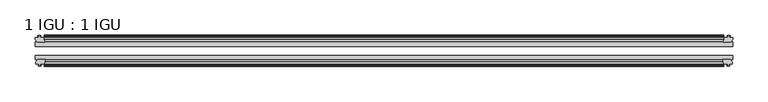
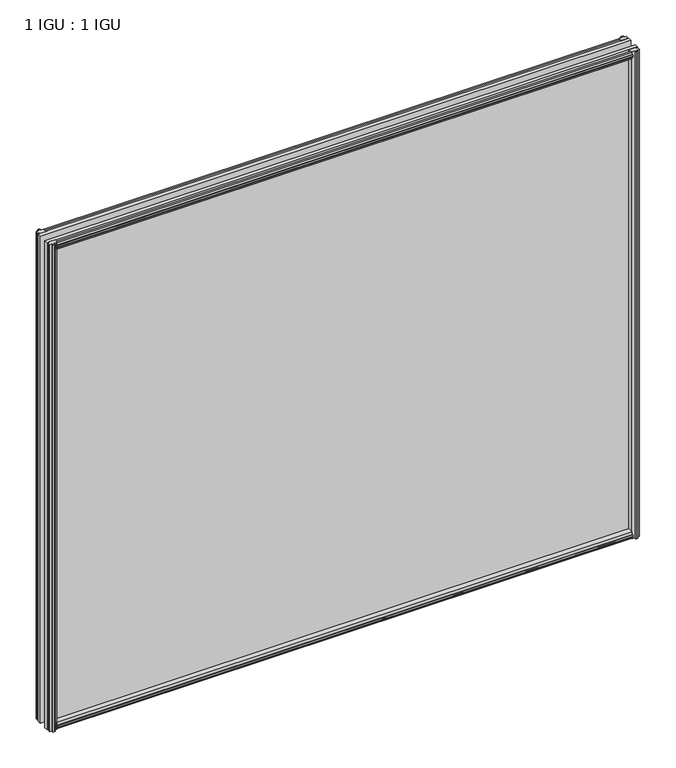
"""IFC4 building model written with IfcOpenShell, lengths in millimetres: plate geometry, 1 IGU : 1 IGU."""

from ifc_helpers import new_model, si_unit, frame, origin, place, context, project, spatial, polyline, outline, extrude, source, transform, mapped, element, save


def plate_1_igu_1_igu_98467104(model_context):
    return source(origin(), model_context, "Body", "SweptSolid", [
        extrude(outline(polyline([(-25.8960937, 1.1970181), (-19.5460937, -0.5207), (-19.5460937, -5.7277), (-17.1658968, -6.1087), (-17.62583, -4.6931709), (-16.8246158, -4.6931709), (-16.1170937, -6.8707), (-16.8246158, -9.0482291), (-17.62583, -9.0482291), (-17.1658968, -7.6327), (-19.5460937, -8.0137), (-19.5460937, -12.4587), (-22.4924937, -12.4587), (-25.8960937, -9.6243578), (-25.8960937, 1.1970181)])), frame((-482.5999997, 0.0, 0.0), z_axis=(1.0, 0.0, 0.0), x_axis=(0.0, 1.0, 0.0)), (0.0, 0.0, 1.0), 965.1999994),
        extrude(outline(polyline([(-51.2960937, 1.7177181), (-51.2960937, -9.1036578), (-54.6996937, -11.938), (-57.6460937, -11.938), (-57.6460937, -7.493), (-60.0262907, -7.112), (-59.5663575, -8.5275291), (-60.3675717, -8.5275291), (-61.0750937, -6.35), (-60.3675717, -4.1724709), (-59.5663575, -4.1724709), (-60.0262907, -5.588), (-57.6460937, -5.207), (-57.6460937, 0.0), (-51.2960937, 1.7177181)])), frame((-482.5999997, 0.0, 0.0), z_axis=(1.0, 0.0, 0.0), x_axis=(0.0, 1.0, 0.0)), (0.0, 0.0, 1.0), 965.1999994),
        extrude(outline(polyline([(-57.6460937, 850.138), (-54.6996937, 850.138), (-51.2960937, 847.3036578), (-51.2960937, 836.4822819), (-57.6460937, 838.2), (-57.6460937, 843.407), (-60.0262907, 843.788), (-59.5663575, 842.3724709), (-60.3675717, 842.3724709), (-61.0750937, 844.55), (-60.3675717, 846.727529), (-59.5663575, 846.727529), (-60.0262907, 845.312), (-57.6460937, 845.693), (-57.6460937, 850.138)])), frame((-482.5999997, 0.0, 0.0), z_axis=(1.0, 0.0, 0.0), x_axis=(0.0, 1.0, 0.0)), (0.0, 0.0, 1.0), 965.1999994),
        extrude(outline(polyline([(-19.5460937, 850.6587), (-19.5460937, 846.2137), (-17.1658968, 845.8327), (-17.62583, 847.248229), (-16.8246158, 847.248229), (-16.1170937, 845.0707), (-16.8246158, 842.8931709), (-17.62583, 842.8931709), (-17.1658968, 844.3087), (-19.5460937, 843.9277), (-19.5460937, 838.7207), (-25.8960937, 837.0029819), (-25.8960937, 847.8243578), (-22.4924937, 850.6587), (-19.5460937, 850.6587)])), frame((-482.5999997, 0.0, 0.0), z_axis=(1.0, 0.0, 0.0), x_axis=(0.0, 1.0, 0.0)), (0.0, 0.0, 1.0), 965.1999994),
        extrude(outline(polyline([(-489.4706997, -16.1170937), (-487.2931707, -16.8246158), (-487.2931707, -17.62583), (-488.7086997, -17.1658968), (-488.3276997, -19.5460937), (-483.1206997, -19.5460937), (-481.4029816, -25.8960937), (-492.2243575, -25.8960937), (-495.0586997, -22.4924937), (-495.0586997, -19.5460937), (-490.6136997, -19.5460937), (-490.2326997, -17.1658968), (-491.6482288, -17.62583), (-491.6482288, -16.8246158), (-489.4706997, -16.1170937)])), frame((0.0, 0.0, -12.7), z_axis=(0.0, 0.0, 1.0), x_axis=(1.0, 0.0, 0.0)), (0.0, 0.0, 1.0), 863.6),
        extrude(outline(polyline([(-488.9499997, -61.0750938), (-491.1275288, -60.3675717), (-491.1275288, -59.5663575), (-489.7119997, -60.0262907), (-490.0929997, -57.6460938), (-494.5379997, -57.6460938), (-494.5379997, -54.6996938), (-491.7036575, -51.2960937), (-480.8822816, -51.2960937), (-482.5999997, -57.6460938), (-487.8069997, -57.6460938), (-488.1879997, -60.0262907), (-486.7724707, -59.5663575), (-486.7724707, -60.3675717), (-488.9499997, -61.0750938)])), frame((0.0, 0.0, -12.7), z_axis=(0.0, 0.0, 1.0), x_axis=(1.0, 0.0, 0.0)), (0.0, 0.0, 1.0), 863.6),
        extrude(outline(polyline([(488.3276997, -19.5460937), (488.7086997, -17.1658968), (487.2931707, -17.62583), (487.2931707, -16.8246158), (489.4706997, -16.1170937), (491.6482288, -16.8246158), (491.6482288, -17.62583), (490.2326997, -17.1658968), (490.6136997, -19.5460937), (495.0586997, -19.5460937), (495.0586997, -22.4924937), (492.2243575, -25.8960937), (481.4029816, -25.8960937), (483.1206997, -19.5460937), (488.3276997, -19.5460937)])), frame((0.0, 0.0, -12.7), z_axis=(0.0, 0.0, 1.0), x_axis=(1.0, 0.0, 0.0)), (0.0, 0.0, 1.0), 863.6),
        extrude(outline(polyline([(491.7036575, -51.2960937), (494.5379997, -54.6996937), (494.5379997, -57.6460937), (490.0929997, -57.6460937), (489.7119997, -60.0262907), (491.1275288, -59.5663575), (491.1275288, -60.3675717), (488.9499997, -61.0750937), (486.7724707, -60.3675717), (486.7724707, -59.5663575), (488.1879997, -60.0262907), (487.8069997, -57.6460937), (482.5999997, -57.6460937), (480.8822816, -51.2960937), (491.7036575, -51.2960937)])), frame((0.0, 0.0, -12.7), z_axis=(0.0, 0.0, 1.0), x_axis=(1.0, 0.0, 0.0)), (0.0, 0.0, 1.0), 863.6),
        extrude(outline(polyline([(-495.2999997, -25.8960937), (495.2999997, -25.8960937), (495.2999997, -32.2460937), (-495.2999997, -32.2460937), (-495.2999997, -25.8960937)])), frame((0.0, 0.0, -12.7), z_axis=(0.0, 0.0, 1.0), x_axis=(1.0, 0.0, 0.0)), (0.0, 0.0, 1.0), 863.6),
        extrude(outline(polyline([(495.2999997, -45.2686737), (495.2999997, -51.2960937), (-495.2999997, -51.2960937), (-495.2999997, -45.2686737), (495.2999997, -45.2686737)])), frame((0.0, 0.0, -12.7), z_axis=(0.0, 0.0, 1.0), x_axis=(1.0, 0.0, 0.0)), (0.0, 0.0, 1.0), 863.6),
    ])


if __name__ == "__main__":
    model = new_model("IFC4")
    model_context = context("Model", 3, world=origin())
    ifc_project = project(units=[si_unit("LENGTHUNIT", "METRE", prefix="MILLI")], contexts=[model_context])
    site = spatial("IfcSite", under=ifc_project)
    building = spatial("IfcBuilding", under=site)
    placement = place(None, origin())
    plate_1_igu_1_igu_shape = plate_1_igu_1_igu_98467104(model_context)
    element("IfcPlate", 1, ObjectType="1 IGU : 1 IGU", at=placement, inside=building, context=model_context, shape_type="MappedRepresentation", body=[
        mapped(plate_1_igu_1_igu_shape, transform((0.0, 0.0, 0.0), x_axis=(1.0, 0.0, 0.0), y_axis=(0.0, 1.0, 0.0), z_axis=(0.0, 0.0, 1.0))),
    ])
    save(model, "model.ifc")
